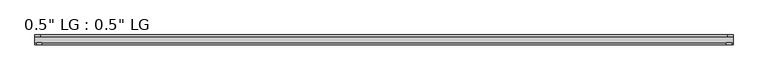
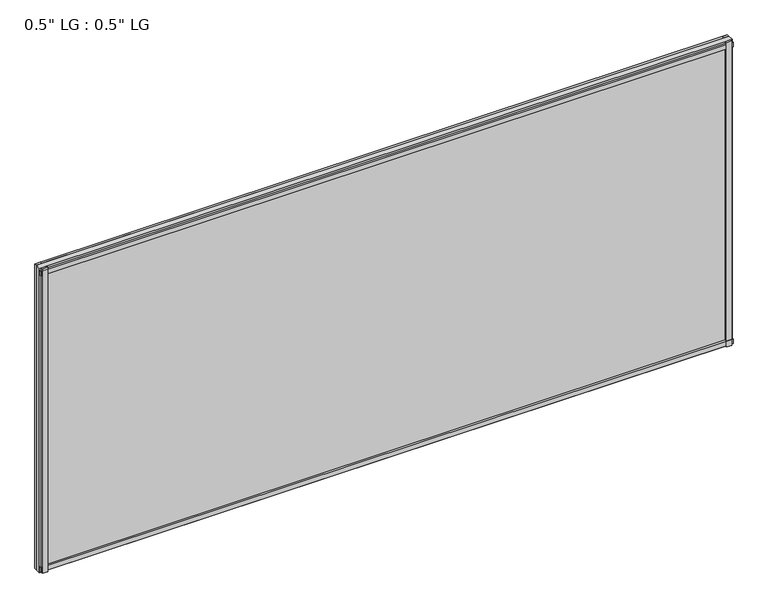
"""IFC4 building model written with IfcOpenShell, lengths in millimetres: plate geometry."""

from ifc_helpers import new_model, si_unit, frame, origin, origin_with_axes, place, context, project, spatial, polyline, outline, extrude, source, transform, mapped, element, save


def plate_6d495ff7(model_context):
    return source(origin(), model_context, "Body", "SweptSolid", [
        extrude(outline(polyline([(800.6029961, 33.3271813), (788.4653165, 33.3271813), (788.4653165, 38.0007813), (800.6029961, 38.0007813), (800.6029961, 33.3271813)])), origin_with_axes(), (0.0, 0.0, 1.0), 744.6980689),
        extrude(outline(polyline([(797.0716424, 15.5217813), (785.0592185, 15.5217813), (785.0592185, 19.7127813), (797.0716424, 19.7127813), (797.0716424, 15.5217813)])), origin_with_axes(), (0.0, 0.0, 1.0), 744.6980689),
        extrude(outline(polyline([(-788.3124181, 38.0007812), (-788.3124181, 33.3271813), (-800.6029961, 33.3271813), (-800.6029961, 38.0007812), (-788.3124181, 38.0007812)])), origin_with_axes(), (0.0, 0.0, 1.0), 744.6980689),
        extrude(outline(polyline([(-784.3531802, 19.7127813), (-784.3531802, 15.5217812), (-796.6437581, 15.5217812), (-796.6437581, 19.7127813), (-784.3531802, 19.7127813)])), origin_with_axes(), (0.0, 0.0, 1.0), 744.6980689),
        extrude(outline(polyline([(800.6029961, 33.3271813), (-800.6029961, 33.3271813), (-800.6029961, 38.0007812), (800.6029961, 38.0007813), (800.6029961, 33.3271813)])), origin_with_axes(), (0.0, 0.0, 1.0), 11.1693096),
        extrude(outline(polyline([(800.6029961, 15.3590708), (-800.6029961, 15.3590708), (-800.6029961, 20.1364307), (800.6029961, 20.1364307), (800.6029961, 15.3590708)])), frame((0.0, 0.0, 3.848913), z_axis=(0.0, 0.0, 1.0), x_axis=(1.0, 0.0, 0.0)), (0.0, 0.0, 1.0), 11.1693096),
        extrude(outline(polyline([(800.6029961, 33.3271813), (-800.6029961, 33.3271813), (-800.6029961, 38.0007812), (800.6029961, 38.0007813), (800.6029961, 33.3271813)])), frame((0.0, 0.0, 733.516963), z_axis=(0.0, 0.0, 1.0), x_axis=(1.0, 0.0, 0.0)), (0.0, 0.0, 1.0), 11.1811058),
        extrude(outline(polyline([(800.6029961, 15.5217813), (-800.6029961, 15.5217813), (-800.6029961, 19.7127812), (800.6029961, 19.7127813), (800.6029961, 15.5217813)])), frame((0.0, 0.0, 728.9578163), z_axis=(0.0, 0.0, 1.0), x_axis=(1.0, 0.0, 0.0)), (0.0, 0.0, 1.0), 11.1811058),
        extrude(outline(polyline([(800.6029961, 33.3271812), (800.6029961, 19.7127812), (-800.6029961, 19.7127812), (-800.6029961, 33.3271812), (800.6029961, 33.3271812)])), origin_with_axes(), (0.0, 0.0, 1.0), 744.6980689),
    ])


if __name__ == "__main__":
    model = new_model("IFC4")
    model_context = context("Model", 3, world=origin())
    ifc_project = project(units=[si_unit("LENGTHUNIT", "METRE", prefix="MILLI")], contexts=[model_context])
    site = spatial("IfcSite", under=ifc_project)
    building = spatial("IfcBuilding", under=site)
    placement = place(None, origin())
    plate_shape = plate_6d495ff7(model_context)
    element("IfcPlate", 1, ObjectType="0.5\" LG : 0.5\" LG", at=placement, inside=building, context=model_context, shape_type="MappedRepresentation", body=[
        mapped(plate_shape, transform((0.0, 0.0, 0.0), x_axis=(1.0, 0.0, 0.0), y_axis=(0.0, 1.0, 0.0), z_axis=(0.0, 0.0, 1.0))),
    ])
    save(model, "model.ifc")
